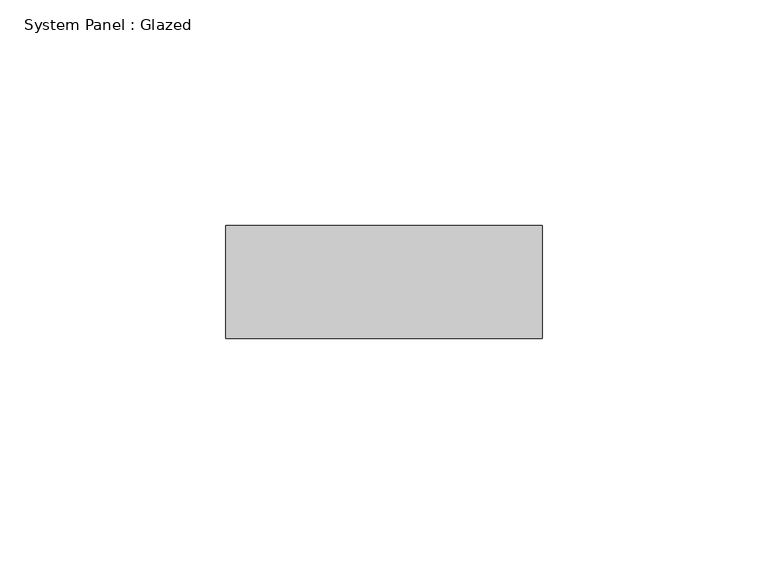
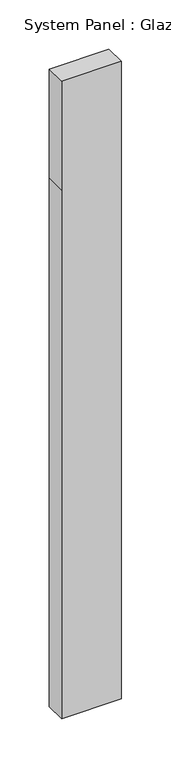
"""IFC4 building model written with IfcOpenShell, lengths in millimetres: plate geometry, System Panel : Glazed."""

import ifcopenshell
import ifcopenshell.guid

model = None  # the IFC model being written
_history = None  # IfcOwnerHistory: only IFC2X3 demands one
_inside = {}  # id of a spatial element -> (the spatial element, [elements in it])
_under = {}  # id of a project, library or spatial element -> (it, [spatial elements below it])
_declared = {}  # id of a project -> (the project, [libraries it declares])
_typed = {}  # id of a type object -> (the type object, [elements of that type])
_made_of = {}  # id of a material, layer set ... -> (it, [elements and type objects made of it])


def new_model(schema):
    """Start an empty IFC model of exactly this schema.

    Asked for "IFC4X3", IfcOpenShell would pick the latest addendum, in which some entities
    have other attributes; the version numbers below select the first issue.
    IFC2X3 requires an IfcOwnerHistory on every rooted entity: one is made here for all.
    """
    global model, _history
    if schema == "IFC4X3":
        model = ifcopenshell.file(schema_version=(4, 3, 0, 0))
    else:
        model = ifcopenshell.file(schema=schema)
    _inside.clear()
    _under.clear()
    _declared.clear()
    _typed.clear()
    _made_of.clear()
    _history = None
    if model.schema == "IFC2X3":
        org = make("IfcOrganization", Name="unknown")
        user = make(
            "IfcPersonAndOrganization",
            ThePerson=make("IfcPerson", FamilyName="unknown"),
            TheOrganization=org,
        )
        app = make(
            "IfcApplication",
            ApplicationDeveloper=org,
            Version="unknown",
            ApplicationFullName="unknown",
            ApplicationIdentifier="unknown",
        )
        _history = make(
            "IfcOwnerHistory",
            OwningUser=user,
            OwningApplication=app,
            ChangeAction="ADDED",
            CreationDate=0,
        )
    return model


def make(cls, **values):
    """One entity of the class cls with the attributes given. An attribute that is None is left unset."""
    return model.create_entity(
        cls, **{name: value for name, value in values.items() if value is not None}
    )


def rooted(cls, **values):
    """An entity with a GlobalId (a new one), such as an element, a storey or a relation."""
    return make(cls, GlobalId=ifcopenshell.guid.new(), OwnerHistory=_history, **values)


def si_unit(unit_type, name, prefix=None):
    """IfcSIUnit, for example si_unit("LENGTHUNIT", "METRE", prefix="MILLI")."""
    return make("IfcSIUnit", UnitType=unit_type, Prefix=prefix, Name=name)


def assignment(units):
    """IfcUnitAssignment: the units of a project."""
    return None if units is None else make("IfcUnitAssignment", Units=units)


def point(xyz):
    """IfcCartesianPoint."""
    return None if xyz is None else make("IfcCartesianPoint", Coordinates=xyz)


def direction(xyz):
    """IfcDirection."""
    return None if xyz is None else make("IfcDirection", DirectionRatios=xyz)


def frame(location, z_axis=None, x_axis=None):
    """IfcAxis2Placement3D, a coordinate frame: its origin and axes. An axis left out is left unset."""
    return make(
        "IfcAxis2Placement3D",
        Location=point(location),
        Axis=direction(z_axis),
        RefDirection=direction(x_axis),
    )


def origin():
    """The frame at (0, 0, 0) with its axes left unset."""
    return frame((0.0, 0.0, 0.0))


def place(relative_to, where):
    """IfcLocalPlacement: puts the frame where relative to a parent placement (None: the world)."""
    return make(
        "IfcLocalPlacement", PlacementRelTo=relative_to, RelativePlacement=where
    )


def context(
    kind, dimensions, precision=None, world=None, true_north=None, identifier=None
):
    """IfcGeometricRepresentationContext, for example the 3D "Model" context."""
    return make(
        "IfcGeometricRepresentationContext",
        ContextIdentifier=identifier,
        ContextType=kind,
        CoordinateSpaceDimension=dimensions,
        Precision=precision,
        WorldCoordinateSystem=world,
        TrueNorth=true_north,
    )


def project(units=None, contexts=None):
    """IfcProject with its units and contexts."""
    return rooted(
        "IfcProject",
        Name="project",
        RepresentationContexts=contexts,
        UnitsInContext=assignment(units),
    )


def spatial(cls, under=None, at=None, **own):
    """A site, building, storey or space (cls), placed at a placement, below another one or the project."""
    s = rooted(cls, ObjectPlacement=at, **own)
    if under is not None:
        _under.setdefault(under.id(), (under, []))[1].append(s)
    return s


def polyline(points):
    """IfcPolyline through the points."""
    return make("IfcPolyline", Points=[point(p) for p in points])


def outline(outer, holes=None, kind="AREA"):
    """IfcArbitraryClosedProfileDef: a profile drawn as a closed curve; with holes, ...WithVoids."""
    if holes is None:
        return make("IfcArbitraryClosedProfileDef", ProfileType=kind, OuterCurve=outer)
    return make(
        "IfcArbitraryProfileDefWithVoids",
        ProfileType=kind,
        OuterCurve=outer,
        InnerCurves=holes,
    )


def extrude(swept, where, along, depth):
    """IfcExtrudedAreaSolid: the profile swept, set in the frame where, extruded along a direction by depth."""
    return make(
        "IfcExtrudedAreaSolid",
        SweptArea=swept,
        Position=where,
        ExtrudedDirection=direction(along),
        Depth=depth,
    )


def shape(context_of_items, identifier, shape_type, items):
    """IfcShapeRepresentation: the items that make up one representation, for example the "Body"."""
    return make(
        "IfcShapeRepresentation",
        ContextOfItems=context_of_items,
        RepresentationIdentifier=identifier,
        RepresentationType=shape_type,
        Items=items,
    )


def source(mapping_origin, context_of_items, identifier, shape_type, items):
    """IfcRepresentationMap: a shape defined once, which mapped items show again and again."""
    return make(
        "IfcRepresentationMap",
        MappingOrigin=mapping_origin,
        MappedRepresentation=shape(context_of_items, identifier, shape_type, items),
    )


def transform(
    local_origin,
    x_axis=None,
    y_axis=None,
    z_axis=None,
    scale=None,
    scale2=None,
    scale3=None,
    uniform=True,
):
    """IfcCartesianTransformationOperator3D, or its non-uniform kind. x_axis, y_axis, z_axis: its Axis1, 2, 3."""
    if uniform:
        return make(
            "IfcCartesianTransformationOperator3D",
            Axis1=direction(x_axis),
            Axis2=direction(y_axis),
            LocalOrigin=point(local_origin),
            Scale=scale,
            Axis3=direction(z_axis),
        )
    return make(
        "IfcCartesianTransformationOperator3DnonUniform",
        Axis1=direction(x_axis),
        Axis2=direction(y_axis),
        LocalOrigin=point(local_origin),
        Scale=scale,
        Axis3=direction(z_axis),
        Scale2=scale2,
        Scale3=scale3,
    )


def mapped(mapping_source, mapping_target):
    """IfcMappedItem: shows the shape of a source again, moved by a transform."""
    return make(
        "IfcMappedItem", MappingSource=mapping_source, MappingTarget=mapping_target
    )


def made_of(thing, what):
    """Note that an element or type object is made of a material, layer set ...; save() writes the relation."""
    if what is not None:
        _made_of.setdefault(what.id(), (what, []))[1].append(thing)
    return thing


def element(
    cls,
    number,
    at=None,
    inside=None,
    cuts=None,
    type_object=None,
    material=None,
    context=None,
    identifier="Body",
    shape_type=None,
    held_by="IfcProductDefinitionShape",
    body=None,
    shapes=None,
    **own,
):
    """One element of the class cls, such as IfcWall. Its Tag is "e" and its number.

    at: its placement. inside: the storey or other place that contains it. cuts: it is an
    opening in that element (IfcRelVoidsElement). A single representation is given by context,
    identifier, shape_type and body (its items); several are given by shapes. held_by: the class
    of the entity that holds the representations. save() writes the other relations.
    """
    e = rooted(cls, Tag="e%d" % number, ObjectPlacement=at, **own)
    if body is not None:
        shapes = [shape(context, identifier, shape_type, body)]
    if shapes is not None:
        e.Representation = make(held_by, Representations=shapes)
    if inside is not None:
        _inside.setdefault(inside.id(), (inside, []))[1].append(e)
    if cuts is not None:
        rooted(
            "IfcRelVoidsElement", RelatingBuildingElement=cuts, RelatedOpeningElement=e
        )
    if type_object is not None:
        _typed.setdefault(type_object.id(), (type_object, []))[1].append(e)
    return made_of(e, material)


def aggregate(whole, parts):
    """IfcRelAggregates: a whole, such as a stair, and the parts it consists of."""
    return rooted("IfcRelAggregates", RelatingObject=whole, RelatedObjects=parts)


def save(model, path):
    """Write the relations noted so far, then the file.

    IfcRelAggregates (storeys below a building ...), IfcRelContainedInSpatialStructure (elements
    in a storey), IfcRelDefinesByType, IfcRelAssociatesMaterial and IfcRelDeclares: one each for
    every whole, place, type object, material and project.
    """
    for whole, parts in _under.values():
        aggregate(whole, parts)
    for where, things in _inside.values():
        rooted(
            "IfcRelContainedInSpatialStructure",
            RelatedElements=things,
            RelatingStructure=where,
        )
    for kind, things in _typed.values():
        rooted("IfcRelDefinesByType", RelatedObjects=things, RelatingType=kind)
    for what, things in _made_of.values():
        rooted("IfcRelAssociatesMaterial", RelatedObjects=things, RelatingMaterial=what)
    for by, libraries in _declared.values():
        rooted("IfcRelDeclares", RelatingContext=by, RelatedDefinitions=libraries)
    model.write(path)


def system_panel_glazed_36db7275(model_context):
    return source(origin(), model_context, "Body", "SweptSolid", [
        extrude(outline(polyline([(0.0, -35.0), (0.0, 35.0), (655.0, 35.0), (790.0, 35.0), (790.0, -35.0), (655.0, -35.0), (0.0, -35.0)])), frame((0.0, 24.5, 0.0), z_axis=(0.0, 1.0, 0.0), x_axis=(0.0, 0.0, 1.0)), (0.0, 0.0, 1.0), 25.0),
    ])


if __name__ == "__main__":
    model = new_model("IFC4")
    model_context = context("Model", 3, world=origin())
    ifc_project = project(units=[si_unit("LENGTHUNIT", "METRE", prefix="MILLI")], contexts=[model_context])
    site = spatial("IfcSite", under=ifc_project)
    building = spatial("IfcBuilding", under=site)
    placement = place(None, origin())
    system_panel_glazed_shape = system_panel_glazed_36db7275(model_context)
    element("IfcPlate", 1, ObjectType="System Panel : Glazed", at=placement, inside=building, context=model_context, shape_type="MappedRepresentation", body=[
        mapped(system_panel_glazed_shape, transform((0.0, 0.0, 0.0), x_axis=(1.0, 0.0, 0.0), y_axis=(0.0, 1.0, 0.0), z_axis=(0.0, 0.0, 1.0))),
    ])
    save(model, "model.ifc")
